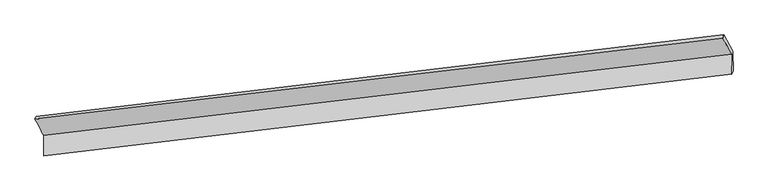
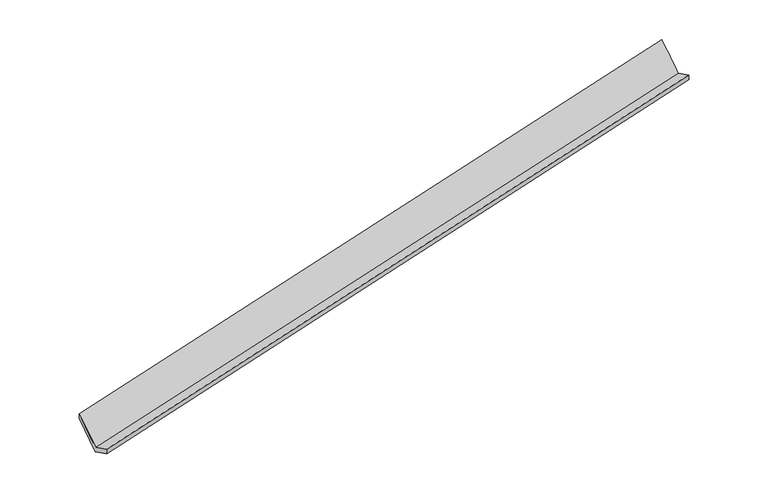
"""IFC4 building model written with IfcOpenShell, lengths in millimetres: proxy geometry."""

from ifc_helpers import new_model, si_unit, frame, origin, place, context, project, spatial, source, transform, mapped, element, save
from ifc_brep_helpers import plane_surface, spline_surface, advanced_brep


def generic_models_68e14b19(model_context):
    return source(origin(), model_context, "Body", "AdvancedBrep", [
        advanced_brep(
        [(-9779.4349115, -2327.2048653, 239.3475755), (-9773.6763587, -2744.4257136, 448.2260015), (4152.963744, -1083.6473963, 3387.0510773), (4147.4520098, -684.3091325, 3187.1254304), (-9749.4481211, -2700.0674022, 306.2393755), (4177.7631399, -1030.2650247, 3240.7342368), (-9755.2586292, -2279.0822602, 95.4763846), (4172.076041, -618.221175, 3034.4476355), (-9930.5533279, -1951.3836051, 754.8654717), (3992.0063741, -291.0915281, 3692.831807), (-9954.1247755, -2000.6368976, 896.4615147), (3968.003653, -358.3082097, 3843.2379213)],
        [
            (0, 1),
            (1, 2),
            (2, 3),
            (3, 0),
            (1, 4),
            (4, 5),
            (5, 2),
            (4, 6),
            (6, 7),
            (7, 5),
            (6, 8),
            (8, 9),
            (9, 7),
            (8, 10),
            (10, 11),
            (11, 9),
            (10, 0),
            (3, 11),
        ],
        [
            plane_surface(frame((-9776.5556351, -2535.8152894, 343.7867885), z_axis=(-0.2352505800331136, 0.43251081114095463, 0.8703973591643516), x_axis=(0.01234092278520997, -0.8941292228651396, 0.44763895545784543))),
            spline_surface(1, 1, [[(-9773.6763587, -2744.4257136, 448.2260015), (4152.963744, -1083.6473963, 3387.0510773)], [(-9749.4481211, -2700.0674022, 306.2393755), (4177.7631399, -1030.2650247, 3240.7342368)]], [2, 2], [2, 2], [0.0, 1.0], [0.0, 1.0]),
            plane_surface(frame((-9752.3533752, -2489.5748312, 200.85788), z_axis=(0.23525055501661468, -0.4325108141282344, -0.8703973644413835), x_axis=(-0.012340922785235468, 0.8941292228650987, -0.4476389554579266))),
            spline_surface(1, 1, [[(-9755.2586292, -2279.0822602, 95.4763846), (4172.076041, -618.221175, 3034.4476355)], [(-9930.5533279, -1951.3836051, 754.8654717), (3992.0063741, -291.0915281, 3692.831807)]], [2, 2], [2, 2], [0.0, 1.0], [0.0, 1.0]),
            spline_surface(1, 1, [[(-9930.5533279, -1951.3836051, 754.8654717), (3992.0063741, -291.0915281, 3692.831807)], [(-9954.1247755, -2000.6368976, 896.4615147), (3968.003653, -358.3082097, 3843.2379213)]], [2, 2], [2, 2], [0.0, 1.0], [0.0, 1.0]),
            spline_surface(1, 1, [[(-9954.1247755, -2000.6368976, 896.4615147), (3968.003653, -358.3082097, 3843.2379213)], [(-9779.4349115, -2327.2048653, 239.3475755), (4147.4520098, -684.3091325, 3187.1254304)]], [2, 2], [2, 2], [0.0, 1.0], [0.0, 1.0]),
            plane_surface(frame((4101.710827, -677.640411, 3397.5713514), z_axis=(0.9712107874480368, 0.11722871466111962, 0.20738137525695527), x_axis=(-0.14417618850928368, -0.4037477638676218, 0.9034384150781007))),
            plane_surface(frame((-9823.749354, -2333.800124, 456.7693872), z_axis=(-0.9727344015852648, -0.11442115781249249, -0.20173146164494354), x_axis=(-0.23159336259350347, 0.43294425907202777, 0.8711623172171802))),
        ],
        [
            (0, [[1, 2, 3, 4]]),
            (1, [[5, 6, 7, -2]]),
            (2, [[8, 9, 10, -6]]),
            (3, [[11, 12, 13, -9]]),
            (4, [[14, 15, 16, -12]]),
            (5, [[17, -4, 18, -15]]),
            (6, [[-16, -18, -3, -7, -10, -13]]),
            (7, [[-17, -14, -11, -8, -5, -1]]),
        ],
    ),
    ])


if __name__ == "__main__":
    model = new_model("IFC4")
    model_context = context("Model", 3, world=origin())
    ifc_project = project(units=[si_unit("LENGTHUNIT", "METRE", prefix="MILLI")], contexts=[model_context])
    site = spatial("IfcSite", under=ifc_project)
    building = spatial("IfcBuilding", under=site)
    placement = place(None, origin())
    generic_models_shape = generic_models_68e14b19(model_context)
    element("IfcBuildingElementProxy", 1, Name="Generic Models", at=placement, inside=building, context=model_context, shape_type="MappedRepresentation", body=[
        mapped(generic_models_shape, transform((0.0, 0.0, 0.0), x_axis=(1.0, 0.0, 0.0), y_axis=(0.0, 1.0, 0.0), z_axis=(0.0, 0.0, 1.0))),
    ])
    save(model, "model.ifc")
